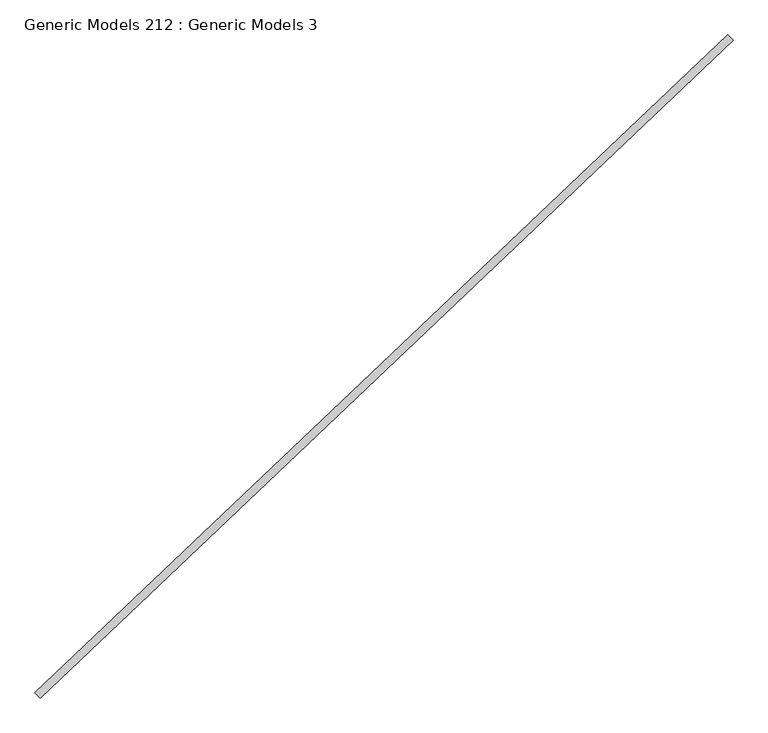
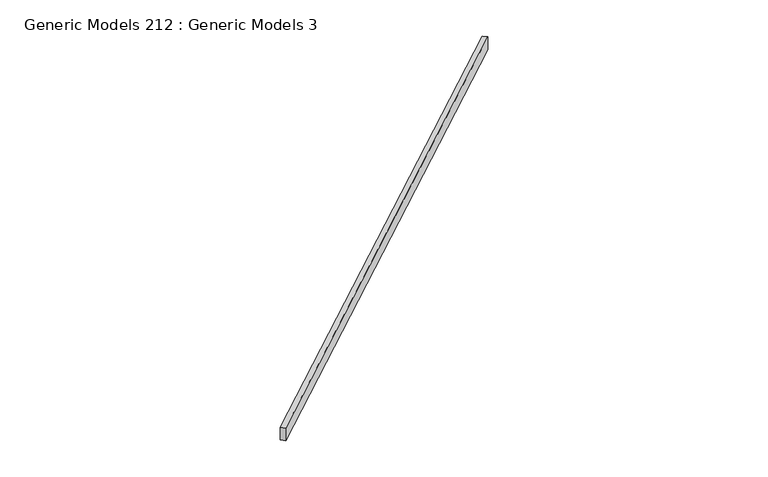
"""IFC4 building model written with IfcOpenShell, lengths in millimetres: proxy geometry, Generic Models 212 : Generic Models 3."""

from ifc_helpers import new_model, si_unit, frame, origin, place, context, project, spatial, polyline, outline, extrude, source, transform, mapped, element, save


def generic_models_212_generic_models_3_2ef9c24e(model_context):
    return source(origin(), model_context, "Body", "SweptSolid", [
        extrude(outline(polyline([(103159.1704, 60302.3972519), (103183.8076193, 60276.4350399), (99897.3358222, 57157.6897549), (99872.6986029, 57183.6519669), (103159.1704, 60302.3972519)])), frame((0.0, 0.0, 16548.1), z_axis=(0.0, 0.0, 1.0), x_axis=(1.0, 0.0, 0.0)), (0.0, 0.0, 1.0), 98.0450695),
    ])


if __name__ == "__main__":
    model = new_model("IFC4")
    model_context = context("Model", 3, world=origin())
    ifc_project = project(units=[si_unit("LENGTHUNIT", "METRE", prefix="MILLI")], contexts=[model_context])
    site = spatial("IfcSite", under=ifc_project)
    building = spatial("IfcBuilding", under=site)
    placement = place(None, origin())
    generic_models_212_generic_models_3_shape = generic_models_212_generic_models_3_2ef9c24e(model_context)
    element("IfcBuildingElementProxy", 1, Name="Generic Models 212 : Generic Models 3", ObjectType="Generic Models 212 : Generic Models 3", at=placement, inside=building, context=model_context, shape_type="MappedRepresentation", body=[
        mapped(generic_models_212_generic_models_3_shape, transform((0.0, 0.0, 0.0), x_axis=(1.0, 0.0, 0.0), y_axis=(0.0, 1.0, 0.0), z_axis=(0.0, 0.0, 1.0))),
    ])
    save(model, "model.ifc")
